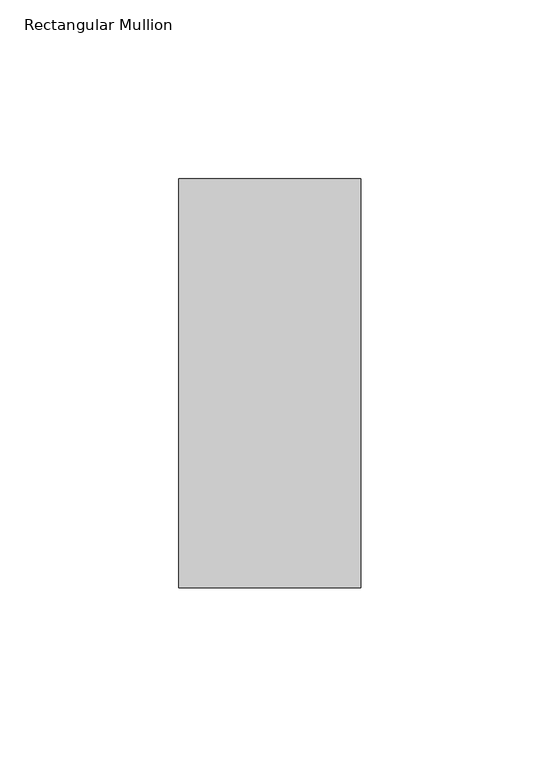
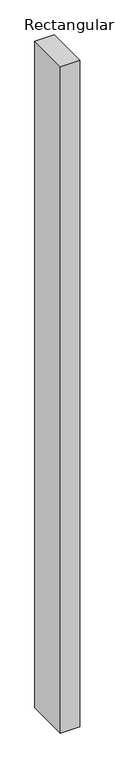
"""IFC4 building model written with IfcOpenShell, lengths in millimetres: member geometry, Rectangular Mullion."""

from ifc_helpers import new_model, si_unit, frame, origin, place, context, project, spatial, polyline, outline, extrude, source, transform, mapped, element, save


def rectangular_mullion_4bfbc9b1(model_context):
    return source(origin(), model_context, "Body", "SweptSolid", [
        extrude(outline(polyline([(25.4, 57.12714), (25.4, -57.17286), (-25.4, -57.17286), (-25.4, 57.12714), (25.4, 57.12714)])), frame((0.0, 0.0, -1828.8), z_axis=(0.0, 0.0, 1.0), x_axis=(1.0, 0.0, 0.0)), (0.0, 0.0, 1.0), 1828.8),
    ])


if __name__ == "__main__":
    model = new_model("IFC4")
    model_context = context("Model", 3, world=origin())
    ifc_project = project(units=[si_unit("LENGTHUNIT", "METRE", prefix="MILLI")], contexts=[model_context])
    site = spatial("IfcSite", under=ifc_project)
    building = spatial("IfcBuilding", under=site)
    placement = place(None, origin())
    rectangular_mullion_shape = rectangular_mullion_4bfbc9b1(model_context)
    element("IfcMember", 1, ObjectType="Rectangular Mullion", at=placement, inside=building, context=model_context, shape_type="MappedRepresentation", body=[
        mapped(rectangular_mullion_shape, transform((0.0, 0.0, 0.0), x_axis=(1.0, 0.0, 0.0), y_axis=(0.0, 1.0, 0.0), z_axis=(0.0, 0.0, 1.0))),
    ])
    save(model, "model.ifc")
